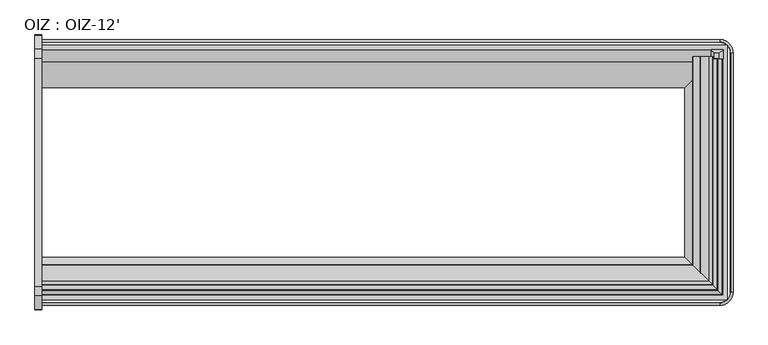
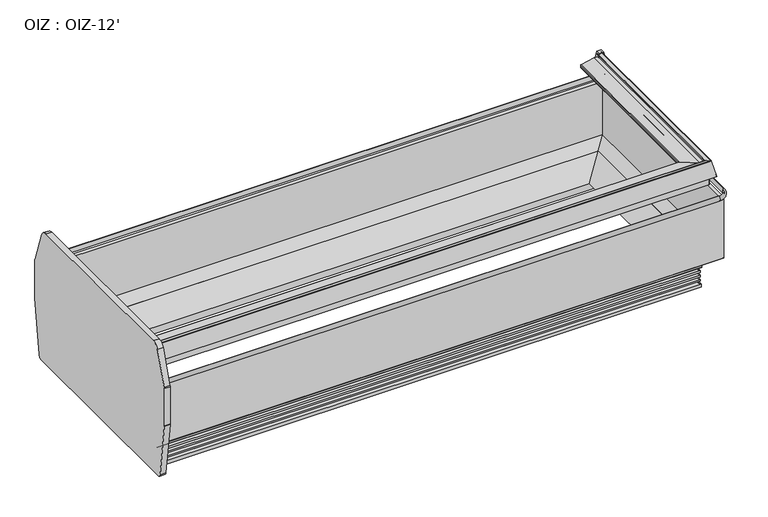
"""IFC4 building model written with IfcOpenShell, lengths in millimetres: proxy geometry, OIZ : OIZ-12'."""

from ifc_helpers import new_model, si_unit, point, frame, frame_2d, origin, place, context, project, spatial, polyline, circle_curve, ellipse_curve, trimmed, segment, composite_curve, outline, extrude, faceted_brep, source, transform, mapped, element, save
from ifc_brep_helpers import plane_surface, cylinder_surface, revolved_surface, advanced_brep


def oiz_oiz_12_f0e6e797(model_context):
    return source(origin(), model_context, "Body", "SolidModel", [
        extrude(outline(composite_curve([segment(trimmed(circle_curve(frame_2d((-348.839267, 447.3139893)), 25.4), [point((-323.439267, 447.3139893))], [point((-323.6463094, 444.0774966))], False, "CARTESIAN"), True, "CONTINUOUS"), segment(polyline([(-323.6463094, 444.0774966), (-371.1378667, 74.401771)]), True, "CONTINUOUS"), segment(trimmed(circle_curve(frame_2d((-396.3308243, 77.6382637)), 25.4), [point((-371.1378667, 74.401771))], [point((-396.3308243, 52.2382637))], False, "CARTESIAN"), True, "CONTINUOUS"), segment(polyline([(-396.3308243, 52.2382637), (-1744.0393488, 52.2382637)]), True, "CONTINUOUS"), segment(trimmed(circle_curve(frame_2d((-1744.0393488, 77.6382637)), 25.4), [point((-1744.0393488, 52.2382637))], [point((-1769.2323064, 74.401771))], False, "CARTESIAN"), True, "CONTINUOUS"), segment(polyline([(-1769.2323064, 74.401771), (-1816.7238637, 444.0774966)]), True, "CONTINUOUS"), segment(trimmed(circle_curve(frame_2d((-1791.530906, 447.3139893)), 25.4), [point((-1816.7238637, 444.0774966))], [point((-1816.930906, 447.3139893))], False, "CARTESIAN"), True, "CONTINUOUS"), segment(polyline([(-1816.930906, 447.3139893), (-1816.930906, 709.7837524)]), True, "CONTINUOUS"), segment(trimmed(circle_curve(frame_2d((-1791.530906, 709.7837524)), 25.4), [point((-1816.930906, 709.7837524))], [point((-1815.4781786, 718.2506372))], False, "CARTESIAN"), True, "CONTINUOUS"), segment(polyline([(-1815.4781786, 718.2506372), (-1737.902464, 937.6615333)]), True, "CONTINUOUS"), segment(trimmed(circle_curve(frame_2d((-1690.007919, 920.7277637)), 50.8), [point((-1737.902464, 937.6615333))], [point((-1690.007919, 971.5277637))], False, "CARTESIAN"), True, "CONTINUOUS"), segment(polyline([(-1690.007919, 971.5277637), (-450.3622541, 971.5277637)]), True, "CONTINUOUS"), segment(trimmed(circle_curve(frame_2d((-450.3622541, 920.7277637)), 50.8), [point((-450.3622541, 971.5277637))], [point((-402.467709, 937.6615333))], False, "CARTESIAN"), True, "CONTINUOUS"), segment(polyline([(-402.467709, 937.6615333), (-324.8919945, 718.2506372)]), True, "CONTINUOUS"), segment(trimmed(circle_curve(frame_2d((-348.839267, 709.7837524)), 25.4), [point((-324.8919945, 718.2506372))], [point((-323.439267, 709.7837524))], False, "CARTESIAN"), True, "CONTINUOUS"), segment(polyline([(-323.439267, 709.7837524), (-323.439267, 447.3139893)]), True, "CONTINUOUS")], self_intersect=False)), frame((-38.1, 0.0, 0.0), z_axis=(1.0, 0.0, 0.0), x_axis=(0.0, 1.0, 0.0)), (0.0, 0.0, 1.0), 38.1),
        faceted_brep([(3676.32346, -453.3410498, 953.5924566), (3676.32346, -423.9461673, 953.5924566), (3645.6527577, -423.9461673, 953.5924566), (3645.6527577, -453.3410498, 953.5924566), (3696.500354, -456.3510322, 847.1075065), (3633.8734801, -456.3510322, 847.1075065), (3633.8734801, -403.7692733, 847.1075065), (3696.500354, -403.7692733, 847.1075065)], [[[0, 1, 2, 3]], [[4, 5, 6, 7]], [[5, 4, 0, 3]], [[6, 5, 3, 2]], [[7, 6, 2, 1]], [[4, 7, 1, 0]]]),
        advanced_brep(
        [(0.0, -1669.8693202, 193.2181695), (0.0, -1669.8693202, 286.9854386), (0.0, -1531.4154874, 190.7162695), (0.0, -1667.3674202, 190.7162695), (3627.4996929, -1669.8693202, 193.2181695), (3627.4996929, -1669.8693202, 286.9854386), (3489.0458601, -1531.4154874, 190.7162695), (3489.0458601, -611.2237672, 190.7162695), (0.0, -611.2237672, 190.7162695), (0.0, -475.2718344, 190.7162695), (3624.9977929, -475.2718344, 190.7162695), (3624.9977929, -1667.3674202, 190.7162695), (3627.4996929, -472.7699344, 193.2181695), (3627.4996929, -472.7699344, 286.9854386), (0.0, -472.7699344, 193.2181695), (0.0, -472.7699344, 286.9854386)],
        [
            (0, 1),
            (1, 2),
            (2, 3),
            (3, 0, circle_curve(frame((0.0, -1667.3674202, 193.2181695), z_axis=(-1.0, 0.0, 0.0), x_axis=(0.0, 1.0, 0.0)), 2.5019)),
            (0, 4),
            (4, 5),
            (5, 1),
            (5, 6),
            (6, 2),
            (6, 7),
            (7, 8),
            (8, 9),
            (9, 10),
            (10, 11),
            (11, 3),
            (11, 4, ellipse_curve(frame((3624.9977929, -1667.3674202, 193.2181695), z_axis=(-0.7071067811865475, -0.7071067811865475, 0.0), x_axis=(-0.7071067811865476, 0.7071067811865474, 0.0)), 3.5382209, 2.5019)),
            (4, 12),
            (12, 13),
            (13, 5),
            (13, 7),
            (10, 12, ellipse_curve(frame((3624.9977929, -475.2718344, 193.2181695), z_axis=(0.7071067811865475, -0.7071067811865475, 0.0), x_axis=(-0.7071067811865474, -0.7071067811865476, 0.0)), 3.5382209, 2.5019)),
            (14, 9, circle_curve(frame((0.0, -475.2718344, 193.2181695), z_axis=(-1.0, 0.0, 0.0), x_axis=(0.0, -1.0, 0.0)), 2.5019)),
            (8, 15),
            (15, 14),
            (12, 14),
            (15, 13),
        ],
        [
            plane_surface(frame((0.0, -1793.6321273, 50.2442522), z_axis=(-1.0, 0.0, 0.0), x_axis=(0.0, 0.0, 1.0))),
            plane_surface(frame((0.0, -1669.8693202, 193.2181695), z_axis=(0.0, -1.0, 0.0), x_axis=(1.0, 0.0, 0.0))),
            plane_surface(frame((0.0, -1669.8693202, 286.9854386), z_axis=(0.0, 0.5708784896060812, 0.8210345608469107), x_axis=(1.0, 0.0, 0.0))),
            plane_surface(frame((0.0, -1531.4154874, 190.7162695), z_axis=(0.0, 0.0, -1.0), x_axis=(1.0, 0.0, 0.0))),
            cylinder_surface(frame((0.0, -1667.3674202, 193.2181695), z_axis=(-1.0, 0.0, 0.0), x_axis=(0.0, 1.0, 0.0)), 2.5019),
            plane_surface(frame((3627.4996929, -1669.8693202, 193.2181695), z_axis=(1.0, 0.0, 0.0), x_axis=(0.0, 1.0, 0.0))),
            plane_surface(frame((3627.4996929, -1669.8693202, 286.9854386), z_axis=(-0.5708784896060812, 0.0, 0.8210345608469107), x_axis=(0.0, 1.0, 0.0))),
            cylinder_surface(frame((3624.9977929, -1793.6321273, 193.2181695), z_axis=(0.0, -1.0, 0.0), x_axis=(-1.0, 0.0, 0.0)), 2.5019),
            plane_surface(frame((0.0, -349.0071273, 50.2442522), z_axis=(-1.0, 0.0, 0.0), x_axis=(0.0, 0.0, 1.0))),
            plane_surface(frame((3627.4996929, -472.7699344, 193.2181695), z_axis=(0.0, 1.0, 0.0), x_axis=(-1.0, 0.0, 0.0))),
            plane_surface(frame((3627.4996929, -472.7699344, 286.9854386), z_axis=(0.0, -0.5708784896060812, 0.8210345608469107), x_axis=(-1.0, 0.0, 0.0))),
            cylinder_surface(frame((3751.2625, -475.2718344, 193.2181695), z_axis=(1.0, 0.0, 0.0), x_axis=(0.0, -1.0, 0.0)), 2.5019),
        ],
        [
            (0, [[1, 2, 3, 4]]),
            (1, [[-1, 5, 6, 7]]),
            (2, [[-2, -7, 8, 9]]),
            (3, [[-3, -9, 10, 11, 12, 13, 14, 15]]),
            (4, [[-4, -15, 16, -5]]),
            (5, [[-6, 17, 18, 19]]),
            (6, [[-8, -19, 20, -10]]),
            (7, [[-16, -14, 21, -17]]),
            (8, [[22, -12, 23, 24]]),
            (9, [[-18, 25, -24, 26]]),
            (10, [[-20, -26, -23, -11]]),
            (11, [[-21, -13, -22, -25]]),
        ],
    ),
        advanced_brep(
        [(0.0, -1710.6553219, 952.3854544), (0.0, -1708.7724527, 953.6082039), (0.0, -1683.8365698, 948.3079183), (0.0, -1682.6332223, 946.3442338), (0.0, -1688.022385, 926.2316048), (0.0, -1663.5888176, 926.3067225), (0.0, -1575.6167929, 908.9805251), (0.0, -1573.5578746, 906.3399769), (0.0, -1574.5393697, 888.1365545), (0.0, -1577.0350289, 885.8112569), (0.0, -1604.3477708, 885.8112569), (0.0, -1604.3477708, 889.9006569), (0.0, -1614.6221651, 889.9006569), (0.0, -1616.3175828, 891.816978), (0.0, -1616.1100713, 893.5070234), (0.0, -1616.801171, 894.3915907), (0.0, -1640.5558215, 897.308295), (0.0, -1641.4140296, 896.7445061), (0.0, -1658.1223173, 839.957012), (0.0, -1659.76101, 838.731006), (0.0, -1699.7349313, 838.731006), (0.0, -1700.5286813, 837.937256), (0.0, -1700.5286813, 782.3984294), (0.0, -1701.7478813, 782.3984294), (0.0, -1701.7478813, 941.6913504), (0.0, -1710.5187202, 941.6913504), (0.0, -1730.6231369, 847.1075065), (0.0, -1733.0328405, 847.1075065), (3668.2856946, -1710.6553219, 952.3854544), (3666.4028254, -1708.7724527, 953.6082039), (3641.4669425, -1683.8365698, 948.3079183), (3640.263595, -1682.6332223, 946.3442338), (3645.6527577, -1688.022385, 926.2316048), (3621.2191903, -1663.5888176, 926.3067225), (3533.2471656, -1575.6167929, 908.9805251), (3531.1882473, -1573.5578746, 906.3399769), (3532.1697424, -1574.5393697, 888.1365545), (3534.6654016, -1577.0350289, 885.8112569), (3534.6654016, -441.0821273, 885.8112569), (3561.9781435, -441.0821273, 885.8112569), (3561.9781435, -1604.3477708, 885.8112569), (3561.9781435, -1604.3477708, 889.9006569), (3561.9781435, -441.0821273, 889.9006569), (3572.2525378, -441.0821273, 889.9006569), (3572.2525378, -1614.6221651, 889.9006569), (3573.9479555, -1616.3175828, 891.816978), (3573.740444, -1616.1100713, 893.5070234), (3574.4315437, -1616.801171, 894.3915907), (3598.1861942, -1640.5558215, 897.308295), (3599.0444023, -1641.4140296, 896.7445061), (3615.75269, -1658.1223173, 839.957012), (3617.3913827, -1659.76101, 838.731006), (3617.3913827, -441.0821273, 838.731006), (3657.365304, -441.0821273, 838.731006), (3657.365304, -1699.7349313, 838.731006), (3658.159054, -1700.5286813, 837.937256), (3658.159054, -1700.5286813, 782.3984294), (3658.159054, -441.0821273, 782.3984294), (3659.378254, -441.0821273, 782.3984294), (3659.378254, -1701.7478813, 782.3984294), (3659.378254, -1701.7478813, 941.6913504), (3659.378254, -441.0821273, 941.6913504), (3668.1490929, -441.0821273, 941.6913504), (3668.1490929, -1710.5187202, 941.6913504), (3688.2535096, -1730.6231369, 847.1075065), (3688.2535096, -441.0821273, 847.1075065), (3690.6632132, -441.0821273, 847.1075065), (3690.6632132, -1733.0328405, 847.1075065), (3668.2856946, -441.0821273, 952.3854544), (3666.4028254, -441.0821273, 953.6082039), (3641.4669425, -441.0821273, 948.3079183), (3640.263595, -441.0821273, 946.3442338), (3645.6527577, -441.0821273, 926.2316048), (3621.2191903, -441.0821273, 926.3067225), (3533.2471656, -441.0821273, 908.9805251), (3531.1882473, -441.0821273, 906.3399769), (3532.1697424, -441.0821273, 888.1365545), (3573.9479555, -441.0821273, 891.816978), (3573.740444, -441.0821273, 893.5070234), (3574.4315437, -441.0821273, 894.3915907), (3598.1861942, -441.0821273, 897.308295), (3599.0444023, -441.0821273, 896.7445061), (3615.75269, -441.0821273, 839.957012), (3658.159054, -441.0821273, 837.937256)],
        [
            (0, 1, circle_curve(frame((0.0, -1709.1025125, 952.0553946), z_axis=(-1.0, 0.0, 0.0), x_axis=(0.0, 1.0, 0.0)), 1.5875)),
            (1, 2),
            (2, 3, circle_curve(frame((0.0, -1684.1666296, 946.755109), z_axis=(-1.0, 0.0, 0.0), x_axis=(0.0, 1.0, 0.0)), 1.5875)),
            (3, 4),
            (4, 5),
            (5, 6),
            (6, 7, circle_curve(frame((0.0, -1576.1044792, 906.4772852), z_axis=(-1.0, 0.0, 0.0), x_axis=(0.0, 1.0, 0.0)), 2.5503035)),
            (7, 8),
            (8, 9, circle_curve(frame((0.0, -1577.0350289, 888.3131569), z_axis=(-1.0, 0.0, 0.0), x_axis=(0.0, 1.0, 0.0)), 2.5019)),
            (9, 10),
            (10, 11),
            (11, 12),
            (12, 13, circle_curve(frame((0.0, -1614.6221651, 891.6088069), z_axis=(-1.0, 0.0, 0.0), x_axis=(0.0, 1.0, 0.0)), 1.70815)),
            (13, 14),
            (14, 15, circle_curve(frame((0.0, -1616.8979048, 893.6037572), z_axis=(1.0, 0.0, 0.0), x_axis=(0.0, 1.0, 0.0)), 0.79375)),
            (15, 16),
            (16, 17, circle_curve(frame((0.0, -1640.6525553, 896.5204615), z_axis=(1.0, 0.0, 0.0), x_axis=(0.0, 1.0, 0.0)), 0.79375)),
            (17, 18),
            (18, 19, circle_curve(frame((0.0, -1659.76101, 840.439156), z_axis=(-1.0, 0.0, 0.0), x_axis=(0.0, 1.0, 0.0)), 1.70815)),
            (19, 20),
            (20, 21, circle_curve(frame((0.0, -1699.7349313, 837.937256), z_axis=(1.0, 0.0, 0.0), x_axis=(0.0, 1.0, 0.0)), 0.79375)),
            (21, 22),
            (22, 23),
            (23, 24),
            (24, 25),
            (25, 26),
            (26, 27),
            (27, 0),
            (0, 28),
            (28, 29, ellipse_curve(frame((3666.7328852, -1709.1025125, 952.0553946), z_axis=(-0.7071067811865475, -0.7071067811865475, 0.0), x_axis=(-0.7071067811865476, 0.7071067811865474, 0.0)), 2.245064, 1.5875)),
            (29, 1),
            (29, 30),
            (30, 2),
            (30, 31, ellipse_curve(frame((3641.7970023, -1684.1666296, 946.755109), z_axis=(-0.7071067811865475, -0.7071067811865475, 0.0), x_axis=(-0.7071067811865476, 0.7071067811865474, 0.0)), 2.245064, 1.5875)),
            (31, 3),
            (31, 32),
            (32, 4),
            (32, 33),
            (33, 5),
            (33, 34),
            (34, 6),
            (34, 35, ellipse_curve(frame((3533.7348519, -1576.1044792, 906.4772852), z_axis=(-0.7071067811865475, -0.7071067811865475, 0.0), x_axis=(-0.7071067811865476, 0.7071067811865474, 0.0)), 3.6066739, 2.5503035)),
            (35, 7),
            (35, 36),
            (36, 8),
            (36, 37, ellipse_curve(frame((3534.6654016, -1577.0350289, 888.3131569), z_axis=(-0.7071067811865475, -0.7071067811865475, 0.0), x_axis=(-0.7071067811865476, 0.7071067811865474, 0.0)), 3.5382209, 2.5019)),
            (37, 9),
            (37, 38),
            (38, 39),
            (39, 40),
            (40, 10),
            (40, 41),
            (41, 11),
            (41, 42),
            (42, 43),
            (43, 44),
            (44, 12),
            (44, 45, ellipse_curve(frame((3572.2525378, -1614.6221651, 891.6088069), z_axis=(-0.7071067811865475, -0.7071067811865475, 0.0), x_axis=(-0.7071067811865476, 0.7071067811865474, 0.0)), 2.4156889, 1.70815)),
            (45, 13),
            (45, 46),
            (46, 14),
            (46, 47, ellipse_curve(frame((3574.5282775, -1616.8979048, 893.6037572), z_axis=(0.7071067811865475, 0.7071067811865475, 0.0), x_axis=(0.7071067811865476, -0.7071067811865474, 0.0)), 1.122532, 0.79375)),
            (47, 15),
            (47, 48),
            (48, 16),
            (48, 49, ellipse_curve(frame((3598.282928, -1640.6525553, 896.5204615), z_axis=(0.7071067811865475, 0.7071067811865475, 0.0), x_axis=(0.7071067811865476, -0.7071067811865474, 0.0)), 1.122532, 0.79375)),
            (49, 17),
            (49, 50),
            (50, 18),
            (50, 51, ellipse_curve(frame((3617.3913827, -1659.76101, 840.439156), z_axis=(-0.7071067811865475, -0.7071067811865475, 0.0), x_axis=(-0.7071067811865476, 0.7071067811865474, 0.0)), 2.4156889, 1.70815)),
            (51, 19),
            (51, 52),
            (52, 53),
            (53, 54),
            (54, 20),
            (54, 55, ellipse_curve(frame((3657.365304, -1699.7349313, 837.937256), z_axis=(0.7071067811865475, 0.7071067811865475, 0.0), x_axis=(0.7071067811865476, -0.7071067811865474, 0.0)), 1.122532, 0.79375)),
            (55, 21),
            (55, 56),
            (56, 22),
            (56, 57),
            (57, 58),
            (58, 59),
            (59, 23),
            (59, 60),
            (60, 24),
            (60, 61),
            (61, 62),
            (62, 63),
            (63, 25),
            (63, 64),
            (64, 26),
            (64, 65),
            (65, 66),
            (66, 67),
            (67, 27),
            (67, 28),
            (28, 68),
            (68, 69, circle_curve(frame((3666.7328852, -441.0821273, 952.0553946), z_axis=(0.0, -1.0, 0.0), x_axis=(-1.0, 0.0, 0.0)), 1.5875)),
            (69, 29),
            (69, 70),
            (70, 30),
            (70, 71, circle_curve(frame((3641.7970023, -441.0821273, 946.755109), z_axis=(0.0, -1.0, 0.0), x_axis=(-1.0, 0.0, 0.0)), 1.5875)),
            (71, 31),
            (71, 72),
            (72, 32),
            (72, 73),
            (73, 33),
            (73, 74),
            (74, 34),
            (74, 75, circle_curve(frame((3533.7348519, -441.0821273, 906.4772852), z_axis=(0.0, -1.0, 0.0), x_axis=(-1.0, 0.0, 0.0)), 2.5503035)),
            (75, 35),
            (75, 76),
            (76, 36),
            (76, 38, circle_curve(frame((3534.6654016, -441.0821273, 888.3131569), z_axis=(0.0, -1.0, 0.0), x_axis=(-1.0, 0.0, 0.0)), 2.5019)),
            (39, 42),
            (43, 77, circle_curve(frame((3572.2525378, -441.0821273, 891.6088069), z_axis=(0.0, -1.0, 0.0), x_axis=(-1.0, 0.0, 0.0)), 1.70815)),
            (77, 45),
            (77, 78),
            (78, 46),
            (78, 79, circle_curve(frame((3574.5282775, -441.0821273, 893.6037572), z_axis=(0.0, 1.0, 0.0), x_axis=(-1.0, 0.0, 0.0)), 0.79375)),
            (79, 47),
            (79, 80),
            (80, 48),
            (80, 81, circle_curve(frame((3598.282928, -441.0821273, 896.5204615), z_axis=(0.0, 1.0, 0.0), x_axis=(-1.0, 0.0, 0.0)), 0.79375)),
            (81, 49),
            (81, 82),
            (82, 50),
            (82, 52, circle_curve(frame((3617.3913827, -441.0821273, 840.439156), z_axis=(0.0, -1.0, 0.0), x_axis=(-1.0, 0.0, 0.0)), 1.70815)),
            (53, 83, circle_curve(frame((3657.365304, -441.0821273, 837.937256), z_axis=(0.0, 1.0, 0.0), x_axis=(-1.0, 0.0, 0.0)), 0.79375)),
            (83, 55),
            (83, 57),
            (58, 61),
            (62, 65),
            (66, 68),
        ],
        [
            plane_surface(frame((0.0, -1793.6321273, 50.2442522), z_axis=(-1.0, 0.0, 0.0), x_axis=(0.0, 0.0, 1.0))),
            cylinder_surface(frame((0.0, -1709.1025125, 952.0553946), z_axis=(-1.0, 0.0, 0.0), x_axis=(0.0, 1.0, 0.0)), 1.5875),
            plane_surface(frame((0.0, -1708.7724527, 953.6082039), z_axis=(0.0, 0.20791169079971766, 0.9781476007376406), x_axis=(1.0, 0.0, 0.0))),
            cylinder_surface(frame((0.0, -1684.1666296, 946.755109), z_axis=(-1.0, 0.0, 0.0), x_axis=(0.0, 1.0, 0.0)), 1.5875),
            plane_surface(frame((0.0, -1682.6332223, 946.3442338), z_axis=(0.0, 0.9659258262938488, -0.2588190450846796), x_axis=(1.0, 0.0, 0.0))),
            plane_surface(frame((0.0, -1688.022385, 926.2316048), z_axis=(0.0, -0.0030743536510213663, 0.9999952741636475), x_axis=(1.0, 0.0, 0.0))),
            plane_surface(frame((0.0, -1663.5888176, 926.3067225), z_axis=(0.0, 0.19323902458189599, 0.9811517106842537), x_axis=(1.0, 0.0, 0.0))),
            cylinder_surface(frame((0.0, -1576.1044792, 906.4772852), z_axis=(-1.0, 0.0, 0.0), x_axis=(0.0, 1.0, 0.0)), 2.5503035),
            plane_surface(frame((0.0, -1573.5578746, 906.3399769), z_axis=(0.0, 0.9985495777719585, -0.05383995478678839), x_axis=(1.0, 0.0, 0.0))),
            cylinder_surface(frame((0.0, -1577.0350289, 888.3131569), z_axis=(-1.0, 0.0, 0.0), x_axis=(0.0, 1.0, 0.0)), 2.5019),
            plane_surface(frame((0.0, -1577.0350289, 885.8112569), z_axis=(0.0, 0.0, -1.0), x_axis=(1.0, 0.0, 0.0))),
            plane_surface(frame((0.0, -1604.3477708, 885.8112569), z_axis=(0.0, -1.0, 0.0), x_axis=(1.0, 0.0, 0.0))),
            plane_surface(frame((0.0, -1604.3477708, 889.9006569), z_axis=(0.0, 0.0, -1.0), x_axis=(1.0, 0.0, 0.0))),
            cylinder_surface(frame((0.0, -1614.6221651, 891.6088069), z_axis=(-1.0, 0.0, 0.0), x_axis=(0.0, 1.0, 0.0)), 1.70815),
            plane_surface(frame((0.0, -1616.3175828, 891.816978), z_axis=(0.0, -0.9925461516413417, 0.12186934340498758), x_axis=(1.0, 0.0, 0.0))),
            revolved_surface(polyline([(3575.3220274892988, -1616.1041548, 893.6037572), (0.0, -1616.1041548, 893.6037572)]), (0.0, -1616.8979048, 893.6037572), (1.0, 0.0, 0.0)),
            plane_surface(frame((0.0, -1616.801171, 894.3915907), z_axis=(0.0, -0.1218693434051119, -0.9925461516413264), x_axis=(1.0, 0.0, 0.0))),
            revolved_surface(polyline([(3599.076677989299, -1639.8588052999999, 896.5204615), (0.0, -1639.8588052999999, 896.5204615)]), (0.0, -1640.6525553, 896.5204615), (1.0, 0.0, 0.0)),
            plane_surface(frame((0.0, -1641.4140296, 896.7445061), z_axis=(0.0, 0.9593376760614901, -0.28226091349837923), x_axis=(1.0, 0.0, 0.0))),
            cylinder_surface(frame((0.0, -1659.76101, 840.439156), z_axis=(-1.0, 0.0, 0.0), x_axis=(0.0, 1.0, 0.0)), 1.70815),
            plane_surface(frame((0.0, -1659.76101, 838.731006), z_axis=(0.0, 0.0, -1.0), x_axis=(1.0, 0.0, 0.0))),
            revolved_surface(polyline([(3658.159054, -1698.9411813, 837.937256), (0.0, -1698.9411813, 837.937256)]), (0.0, -1699.7349313, 837.937256), (1.0, 0.0, 0.0)),
            plane_surface(frame((0.0, -1700.5286813, 837.937256), z_axis=(0.0, 1.0, 0.0), x_axis=(1.0, 0.0, 0.0))),
            plane_surface(frame((0.0, -1700.5286813, 782.3984294), z_axis=(0.0, 0.0, -1.0), x_axis=(1.0, 0.0, 0.0))),
            plane_surface(frame((0.0, -1701.7478813, 782.3984294), z_axis=(0.0, -1.0, 0.0), x_axis=(1.0, 0.0, 0.0))),
            plane_surface(frame((0.0, -1701.7478813, 941.6913504), z_axis=(0.0, 0.0, -1.0), x_axis=(1.0, 0.0, 0.0))),
            plane_surface(frame((0.0, -1710.5187202, 941.6913504), z_axis=(0.0, 0.9781476007338412, -0.20791169081759206), x_axis=(1.0, 0.0, 0.0))),
            plane_surface(frame((0.0, -1730.6231369, 847.1075065), z_axis=(0.0, 0.0, -1.0), x_axis=(1.0, 0.0, 0.0))),
            plane_surface(frame((0.0, -1733.0328405, 847.1075065), z_axis=(0.0, -0.9781476007338418, 0.20791169081758964), x_axis=(1.0, 0.0, 0.0))),
            cylinder_surface(frame((3666.7328852, -1793.6321273, 952.0553946), z_axis=(0.0, -1.0, 0.0), x_axis=(-1.0, 0.0, 0.0)), 1.5875),
            plane_surface(frame((3666.4028254, -1708.7724527, 953.6082039), z_axis=(-0.20791169079971766, 0.0, 0.9781476007376406), x_axis=(0.0, 1.0, 0.0))),
            cylinder_surface(frame((3641.7970023, -1793.6321273, 946.755109), z_axis=(0.0, -1.0, 0.0), x_axis=(-1.0, 0.0, 0.0)), 1.5875),
            plane_surface(frame((3640.263595, -1682.6332223, 946.3442338), z_axis=(-0.9659258262938488, 0.0, -0.2588190450846796), x_axis=(0.0, 1.0, 0.0))),
            plane_surface(frame((3645.6527577, -1688.022385, 926.2316048), z_axis=(0.0030743536510213663, 0.0, 0.9999952741636475), x_axis=(0.0, 1.0, 0.0))),
            plane_surface(frame((3621.2191903, -1663.5888176, 926.3067225), z_axis=(-0.19323902458189599, 0.0, 0.9811517106842537), x_axis=(0.0, 1.0, 0.0))),
            cylinder_surface(frame((3533.7348519, -1793.6321273, 906.4772852), z_axis=(0.0, -1.0, 0.0), x_axis=(-1.0, 0.0, 0.0)), 2.5503035),
            plane_surface(frame((3531.1882473, -1573.5578746, 906.3399769), z_axis=(-0.9985495777719585, 0.0, -0.05383995478678839), x_axis=(0.0, 1.0, 0.0))),
            cylinder_surface(frame((3534.6654016, -1793.6321273, 888.3131569), z_axis=(0.0, -1.0, 0.0), x_axis=(-1.0, 0.0, 0.0)), 2.5019),
            plane_surface(frame((3561.9781435, -1604.3477708, 885.8112569), z_axis=(1.0, 0.0, 0.0), x_axis=(0.0, 1.0, 0.0))),
            cylinder_surface(frame((3572.2525378, -1793.6321273, 891.6088069), z_axis=(0.0, -1.0, 0.0), x_axis=(-1.0, 0.0, 0.0)), 1.70815),
            plane_surface(frame((3573.9479555, -1616.3175828, 891.816978), z_axis=(0.9925461516413417, 0.0, 0.12186934340498758), x_axis=(0.0, 1.0, 0.0))),
            revolved_surface(polyline([(3573.7345275000002, -441.0821272999999, 893.6037572), (3573.7345275000002, -1617.691654789299, 893.6037572)]), (3574.5282775, -1793.6321273, 893.6037572), (0.0, 1.0, 0.0)),
            plane_surface(frame((3574.4315437, -1616.801171, 894.3915907), z_axis=(0.1218693434051119, 0.0, -0.9925461516413264), x_axis=(0.0, 1.0, 0.0))),
            revolved_surface(polyline([(3597.4891780000003, -441.0821272999999, 896.5204615), (3597.4891780000003, -1641.4463052892988, 896.5204615)]), (3598.282928, -1793.6321273, 896.5204615), (0.0, 1.0, 0.0)),
            plane_surface(frame((3599.0444023, -1641.4140296, 896.7445061), z_axis=(-0.9593376760614901, 0.0, -0.28226091349837923), x_axis=(0.0, 1.0, 0.0))),
            cylinder_surface(frame((3617.3913827, -1793.6321273, 840.439156), z_axis=(0.0, -1.0, 0.0), x_axis=(-1.0, 0.0, 0.0)), 1.70815),
            revolved_surface(polyline([(3656.571554, -441.0821272999999, 837.937256), (3656.571554, -1700.5286813, 837.937256)]), (3657.365304, -1793.6321273, 837.937256), (0.0, 1.0, 0.0)),
            plane_surface(frame((3658.159054, -1700.5286813, 837.937256), z_axis=(-1.0, 0.0, 0.0), x_axis=(0.0, 1.0, 0.0))),
            plane_surface(frame((3659.378254, -1701.7478813, 782.3984294), z_axis=(1.0, 0.0, 0.0), x_axis=(0.0, 1.0, 0.0))),
            plane_surface(frame((3668.1490929, -1710.5187202, 941.6913504), z_axis=(-0.9781476007338412, 0.0, -0.20791169081759206), x_axis=(0.0, 1.0, 0.0))),
            plane_surface(frame((3690.6632132, -1733.0328405, 847.1075065), z_axis=(0.9781476007338418, 0.0, 0.20791169081758964), x_axis=(0.0, 1.0, 0.0))),
            plane_surface(frame((3751.2625, -441.0821273, 50.2442522), z_axis=(0.0, 1.0, 0.0), x_axis=(0.0, 0.0, 1.0))),
        ],
        [
            (0, [[1, 2, 3, 4, 5, 6, 7, 8, 9, 10, 11, 12, 13, 14, 15, 16, 17, 18, 19, 20, 21, 22, 23, 24, 25, 26, 27, 28]]),
            (1, [[-1, 29, 30, 31]]),
            (2, [[-2, -31, 32, 33]]),
            (3, [[-3, -33, 34, 35]]),
            (4, [[-4, -35, 36, 37]]),
            (5, [[-5, -37, 38, 39]]),
            (6, [[-6, -39, 40, 41]]),
            (7, [[-7, -41, 42, 43]]),
            (8, [[-8, -43, 44, 45]]),
            (9, [[-9, -45, 46, 47]]),
            (10, [[-10, -47, 48, 49, 50, 51]]),
            (11, [[-11, -51, 52, 53]]),
            (12, [[-12, -53, 54, 55, 56, 57]]),
            (13, [[-13, -57, 58, 59]]),
            (14, [[-14, -59, 60, 61]]),
            (15, [[-15, -61, 62, 63]]),
            (16, [[-16, -63, 64, 65]]),
            (17, [[-17, -65, 66, 67]]),
            (18, [[-18, -67, 68, 69]]),
            (19, [[-19, -69, 70, 71]]),
            (20, [[-20, -71, 72, 73, 74, 75]]),
            (21, [[-21, -75, 76, 77]]),
            (22, [[-22, -77, 78, 79]]),
            (23, [[-23, -79, 80, 81, 82, 83]]),
            (24, [[-24, -83, 84, 85]]),
            (25, [[-25, -85, 86, 87, 88, 89]]),
            (26, [[-26, -89, 90, 91]]),
            (27, [[-27, -91, 92, 93, 94, 95]]),
            (28, [[-28, -95, 96, -29]]),
            (29, [[-30, 97, 98, 99]]),
            (30, [[-32, -99, 100, 101]]),
            (31, [[-34, -101, 102, 103]]),
            (32, [[-36, -103, 104, 105]]),
            (33, [[-38, -105, 106, 107]]),
            (34, [[-40, -107, 108, 109]]),
            (35, [[-42, -109, 110, 111]]),
            (36, [[-44, -111, 112, 113]]),
            (37, [[-46, -113, 114, -48]]),
            (38, [[-52, -50, 115, -54]]),
            (39, [[-58, -56, 116, 117]]),
            (40, [[-60, -117, 118, 119]]),
            (41, [[-62, -119, 120, 121]]),
            (42, [[-64, -121, 122, 123]]),
            (43, [[-66, -123, 124, 125]]),
            (44, [[-68, -125, 126, 127]]),
            (45, [[-70, -127, 128, -72]]),
            (46, [[-76, -74, 129, 130]]),
            (47, [[-78, -130, 131, -80]]),
            (48, [[-84, -82, 132, -86]]),
            (49, [[-90, -88, 133, -92]]),
            (50, [[-96, -94, 134, -97]]),
            (51, [[-134, -93, -133, -87, -132, -81, -131, -129, -73, -128, -126, -124, -122, -120, -118, -116, -55, -115, -49, -114, -112, -110, -108, -106, -104, -102, -100, -98]]),
        ],
    ),
        advanced_brep(
        [(0.0, -1644.8482048, 52.2382637), (0.0, -1667.0118202, 52.2382637), (0.0, -1667.0118202, 74.5283346), (0.0, -1653.3940173, 84.1356475), (0.0, -1650.5792308, 93.1430848), (0.0, -1662.5360154, 93.1430848), (0.0, -1662.5360154, 105.8430848), (0.0, -1653.3940173, 115.1078306), (0.0, -1650.5792308, 124.1152679), (0.0, -1662.5360154, 124.1152679), (0.0, -1662.5360154, 136.8152679), (0.0, -1653.3940173, 146.0800137), (0.0, -1650.5469277, 155.0876379), (0.0, -1662.5360154, 155.0876379), (0.0, -1662.5360154, 167.7876379), (0.0, -1649.9049202, 180.487451), (0.0, -1649.9049202, 190.7162695), (0.0, -1644.8482048, 190.7162695), (3602.4785775, -1644.8482048, 52.2382637), (3602.4785775, -497.7910498, 52.2382637), (0.0, -497.7910498, 52.2382637), (0.0, -475.6274344, 52.2382637), (3624.6421929, -475.6274344, 52.2382637), (3624.6421929, -1667.0118202, 52.2382637), (3624.6421929, -1667.0118202, 74.5283346), (3611.02439, -1653.3940173, 84.1356475), (3608.2096035, -1650.5792308, 93.1430848), (3608.2096035, -492.0600238, 93.1430848), (0.0, -492.0600238, 93.1430848), (0.0, -480.1032392, 93.1430848), (3620.1663881, -480.1032392, 93.1430848), (3620.1663881, -1662.5360154, 93.1430848), (3620.1663881, -1662.5360154, 105.8430848), (3611.02439, -1653.3940173, 115.1078306), (3608.2096035, -1650.5792308, 124.1152679), (3608.2096035, -492.0600238, 124.1152679), (0.0, -492.0600238, 124.1152679), (0.0, -480.1032392, 124.1152679), (3620.1663881, -480.1032392, 124.1152679), (3620.1663881, -1662.5360154, 124.1152679), (3620.1663881, -1662.5360154, 136.8152679), (3611.02439, -1653.3940173, 146.0800137), (3608.1773004, -1650.5469277, 155.0876379), (3608.1773004, -492.0923269, 155.0876379), (0.0, -492.0923269, 155.0876379), (0.0, -480.1032392, 155.0876379), (3620.1663881, -480.1032392, 155.0876379), (3620.1663881, -1662.5360154, 155.0876379), (3620.1663881, -1662.5360154, 167.7876379), (3607.5352929, -1649.9049202, 180.487451), (3607.5352929, -1649.9049202, 190.7162695), (3607.5352929, -492.7343344, 190.7162695), (0.0, -492.7343344, 190.7162695), (0.0, -497.7910498, 190.7162695), (3602.4785775, -497.7910498, 190.7162695), (3602.4785775, -1644.8482048, 190.7162695), (3624.6421929, -475.6274344, 74.5283346), (3611.02439, -489.2452373, 84.1356475), (3620.1663881, -480.1032392, 105.8430848), (3611.02439, -489.2452373, 115.1078306), (3620.1663881, -480.1032392, 136.8152679), (3611.02439, -489.2452373, 146.0800137), (3620.1663881, -480.1032392, 167.7876379), (3607.5352929, -492.7343344, 180.487451), (0.0, -492.7343344, 180.487451), (0.0, -480.1032392, 167.7876379), (0.0, -489.2452373, 146.0800137), (0.0, -480.1032392, 136.8152679), (0.0, -489.2452373, 115.1078306), (0.0, -480.1032392, 105.8430848), (0.0, -489.2452373, 84.1356475), (0.0, -475.6274344, 74.5283346)],
        [
            (0, 1),
            (1, 2),
            (2, 3, circle_curve(frame((0.0, -1666.4759966, 88.2237114), z_axis=(1.0, 0.0, 0.0), x_axis=(0.0, 1.0, 0.0)), 13.7058546)),
            (3, 4),
            (4, 5),
            (5, 6),
            (6, 7, circle_curve(frame((0.0, -1666.9538832, 119.345232), z_axis=(1.0, 0.0, 0.0), x_axis=(0.0, 1.0, 0.0)), 14.2065314)),
            (7, 8),
            (8, 9),
            (9, 10),
            (10, 11, circle_curve(frame((0.0, -1667.0262586, 150.3888315), z_axis=(1.0, 0.0, 0.0), x_axis=(0.0, 1.0, 0.0)), 14.2969897)),
            (11, 12),
            (12, 13),
            (13, 14),
            (14, 15, circle_curve(frame((0.0, -1662.6049202, 180.487451), z_axis=(1.0, 0.0, 0.0), x_axis=(0.0, 1.0, 0.0)), 12.7)),
            (15, 16),
            (16, 17),
            (17, 0),
            (0, 18),
            (18, 19),
            (19, 20),
            (20, 21),
            (21, 22),
            (22, 23),
            (23, 1),
            (23, 24),
            (24, 2),
            (24, 25, ellipse_curve(frame((3624.1063693, -1666.4759966, 88.2237114), z_axis=(0.7071067811865475, 0.7071067811865475, 0.0), x_axis=(0.7071067811865476, -0.7071067811865474, 0.0)), 19.3830055, 13.7058546)),
            (25, 3),
            (25, 26),
            (26, 4),
            (26, 27),
            (27, 28),
            (28, 29),
            (29, 30),
            (30, 31),
            (31, 5),
            (31, 32),
            (32, 6),
            (32, 33, ellipse_curve(frame((3624.5842559, -1666.9538832, 119.345232), z_axis=(0.7071067811865475, 0.7071067811865475, 0.0), x_axis=(0.7071067811865476, -0.7071067811865474, 0.0)), 20.0910694, 14.2065314)),
            (33, 7),
            (33, 34),
            (34, 8),
            (34, 35),
            (35, 36),
            (36, 37),
            (37, 38),
            (38, 39),
            (39, 9),
            (39, 40),
            (40, 10),
            (40, 41, ellipse_curve(frame((3624.6566313, -1667.0262586, 150.3888315), z_axis=(0.7071067811865475, 0.7071067811865475, 0.0), x_axis=(0.7071067811865476, -0.7071067811865474, 0.0)), 20.2189967, 14.2969897)),
            (41, 11),
            (41, 42),
            (42, 12),
            (42, 43),
            (43, 44),
            (44, 45),
            (45, 46),
            (46, 47),
            (47, 13),
            (47, 48),
            (48, 14),
            (48, 49, ellipse_curve(frame((3620.2352929, -1662.6049202, 180.487451), z_axis=(0.7071067811865475, 0.7071067811865475, 0.0), x_axis=(0.7071067811865476, -0.7071067811865474, 0.0)), 17.9605122, 12.7)),
            (49, 15),
            (49, 50),
            (50, 16),
            (50, 51),
            (51, 52),
            (52, 53),
            (53, 54),
            (54, 55),
            (55, 17),
            (55, 18),
            (22, 56),
            (56, 24),
            (56, 57, ellipse_curve(frame((3624.1063693, -476.163258, 88.2237114), z_axis=(-0.7071067811865475, 0.7071067811865475, 0.0), x_axis=(0.7071067811865474, 0.7071067811865476, 0.0)), 19.3830055, 13.7058546)),
            (57, 25),
            (57, 27),
            (30, 58),
            (58, 32),
            (58, 59, ellipse_curve(frame((3624.5842559, -475.6853714, 119.345232), z_axis=(-0.7071067811865475, 0.7071067811865475, 0.0), x_axis=(0.7071067811865474, 0.7071067811865476, 0.0)), 20.0910694, 14.2065314)),
            (59, 33),
            (59, 35),
            (38, 60),
            (60, 40),
            (60, 61, ellipse_curve(frame((3624.6566313, -475.612996, 150.3888315), z_axis=(-0.7071067811865475, 0.7071067811865475, 0.0), x_axis=(0.7071067811865474, 0.7071067811865476, 0.0)), 20.2189967, 14.2969897)),
            (61, 41),
            (61, 43),
            (46, 62),
            (62, 48),
            (62, 63, ellipse_curve(frame((3620.2352929, -480.0343344, 180.487451), z_axis=(-0.7071067811865475, 0.7071067811865475, 0.0), x_axis=(0.7071067811865474, 0.7071067811865476, 0.0)), 17.9605122, 12.7)),
            (63, 49),
            (63, 51),
            (54, 19),
            (20, 53),
            (52, 64),
            (64, 65, circle_curve(frame((0.0, -480.0343344, 180.487451), z_axis=(1.0, 0.0, 0.0), x_axis=(0.0, -1.0, 0.0)), 12.7)),
            (65, 45),
            (44, 66),
            (66, 67, circle_curve(frame((0.0, -475.612996, 150.3888315), z_axis=(1.0, 0.0, 0.0), x_axis=(0.0, -1.0, 0.0)), 14.2969897)),
            (67, 37),
            (36, 68),
            (68, 69, circle_curve(frame((0.0, -475.6853714, 119.345232), z_axis=(1.0, 0.0, 0.0), x_axis=(0.0, -1.0, 0.0)), 14.2065314)),
            (69, 29),
            (28, 70),
            (70, 71, circle_curve(frame((0.0, -476.163258, 88.2237114), z_axis=(1.0, 0.0, 0.0), x_axis=(0.0, -1.0, 0.0)), 13.7058546)),
            (71, 21),
            (71, 56),
            (70, 57),
            (69, 58),
            (68, 59),
            (67, 60),
            (66, 61),
            (65, 62),
            (64, 63),
        ],
        [
            plane_surface(frame((0.0, -1793.6321273, 50.2442522), z_axis=(-1.0, 0.0, 0.0), x_axis=(0.0, 0.0, 1.0))),
            plane_surface(frame((0.0, -1644.8482048, 52.2382637), z_axis=(0.0, 0.0, -1.0), x_axis=(1.0, 0.0, 0.0))),
            plane_surface(frame((0.0, -1667.0118202, 52.2382637), z_axis=(0.0, -1.0, 0.0), x_axis=(1.0, 0.0, 0.0))),
            revolved_surface(polyline([(3637.8122239288264, -1652.7701419999999, 88.2237114), (0.0, -1652.7701419999999, 88.2237114)]), (0.0, -1666.4759966, 88.2237114), (1.0, 0.0, 0.0)),
            plane_surface(frame((0.0, -1653.3940173, 84.1356475), z_axis=(0.0, -0.9544811145040039, 0.29827135641089436), x_axis=(1.0, 0.0, 0.0))),
            plane_surface(frame((0.0, -1650.5792308, 93.1430848), z_axis=(0.0, 0.0, -1.0), x_axis=(1.0, 0.0, 0.0))),
            plane_surface(frame((0.0, -1662.5360154, 93.1430848), z_axis=(0.0, -1.0, 0.0), x_axis=(1.0, 0.0, 0.0))),
            revolved_surface(polyline([(3638.7907873140293, -1652.7473518000002, 119.345232), (0.0, -1652.7473518000002, 119.345232)]), (0.0, -1666.9538832, 119.345232), (1.0, 0.0, 0.0)),
            plane_surface(frame((0.0, -1653.3940173, 115.1078306), z_axis=(0.0, -0.9544811145040049, 0.29827135641089125), x_axis=(1.0, 0.0, 0.0))),
            plane_surface(frame((0.0, -1650.5792308, 124.1152679), z_axis=(0.0, 0.0, -1.0), x_axis=(1.0, 0.0, 0.0))),
            plane_surface(frame((0.0, -1662.5360154, 124.1152679), z_axis=(0.0, -1.0, 0.0), x_axis=(1.0, 0.0, 0.0))),
            revolved_surface(polyline([(3638.9536209753583, -1652.7292688999999, 150.3888315), (0.0, -1652.7292688999999, 150.3888315)]), (0.0, -1667.0262586, 150.3888315), (1.0, 0.0, 0.0)),
            plane_surface(frame((0.0, -1653.3940173, 146.0800137), z_axis=(0.0, -0.9535043111328463, 0.30137937661870007), x_axis=(1.0, 0.0, 0.0))),
            plane_surface(frame((0.0, -1650.5469277, 155.0876379), z_axis=(0.0, 0.0, -1.0), x_axis=(1.0, 0.0, 0.0))),
            plane_surface(frame((0.0, -1662.5360154, 155.0876379), z_axis=(0.0, -1.0, 0.0), x_axis=(1.0, 0.0, 0.0))),
            revolved_surface(polyline([(3632.9352928702037, -1649.9049201999999, 180.487451), (0.0, -1649.9049201999999, 180.487451)]), (0.0, -1662.6049202, 180.487451), (1.0, 0.0, 0.0)),
            plane_surface(frame((0.0, -1649.9049202, 180.487451), z_axis=(0.0, -1.0, 0.0), x_axis=(1.0, 0.0, 0.0))),
            plane_surface(frame((0.0, -1649.9049202, 190.7162695), z_axis=(0.0, 0.0, 1.0), x_axis=(1.0, 0.0, 0.0))),
            plane_surface(frame((0.0, -1644.8482048, 190.7162695), z_axis=(0.0, 1.0, 0.0), x_axis=(1.0, 0.0, 0.0))),
            plane_surface(frame((3624.6421929, -1667.0118202, 52.2382637), z_axis=(1.0, 0.0, 0.0), x_axis=(0.0, 1.0, 0.0))),
            revolved_surface(polyline([(3610.4005147000003, -462.457403371174, 88.2237114), (3610.4005147000003, -1680.181851228826, 88.2237114)]), (3624.1063693, -1793.6321273, 88.2237114), (0.0, 1.0, 0.0)),
            plane_surface(frame((3611.02439, -1653.3940173, 84.1356475), z_axis=(0.9544811145040039, 0.0, 0.29827135641089436), x_axis=(0.0, 1.0, 0.0))),
            plane_surface(frame((3620.1663881, -1662.5360154, 93.1430848), z_axis=(1.0, 0.0, 0.0), x_axis=(0.0, 1.0, 0.0))),
            revolved_surface(polyline([(3610.3777244999997, -461.4788399859706, 119.345232), (3610.3777244999997, -1681.1604146140296, 119.345232)]), (3624.5842559, -1793.6321273, 119.345232), (0.0, 1.0, 0.0)),
            plane_surface(frame((3611.02439, -1653.3940173, 115.1078306), z_axis=(0.9544811145040049, 0.0, 0.29827135641089125), x_axis=(0.0, 1.0, 0.0))),
            plane_surface(frame((3620.1663881, -1662.5360154, 124.1152679), z_axis=(1.0, 0.0, 0.0), x_axis=(0.0, 1.0, 0.0))),
            revolved_surface(polyline([(3610.3596416, -461.31600632464165, 150.3888315), (3610.3596416, -1681.3232482753583, 150.3888315)]), (3624.6566313, -1793.6321273, 150.3888315), (0.0, 1.0, 0.0)),
            plane_surface(frame((3611.02439, -1653.3940173, 146.0800137), z_axis=(0.9535043111328463, 0.0, 0.30137937661870007), x_axis=(0.0, 1.0, 0.0))),
            plane_surface(frame((3620.1663881, -1662.5360154, 155.0876379), z_axis=(1.0, 0.0, 0.0), x_axis=(0.0, 1.0, 0.0))),
            revolved_surface(polyline([(3607.5352929, -467.3343344297964, 180.487451), (3607.5352929, -1675.3049201702036, 180.487451)]), (3620.2352929, -1793.6321273, 180.487451), (0.0, 1.0, 0.0)),
            plane_surface(frame((3607.5352929, -1649.9049202, 180.487451), z_axis=(1.0, 0.0, 0.0), x_axis=(0.0, 1.0, 0.0))),
            plane_surface(frame((3602.4785775, -1644.8482048, 190.7162695), z_axis=(-1.0, 0.0, 0.0), x_axis=(0.0, 1.0, 0.0))),
            plane_surface(frame((0.0, -349.0071273, 50.2442522), z_axis=(-1.0, 0.0, 0.0), x_axis=(0.0, 0.0, 1.0))),
            plane_surface(frame((3624.6421929, -475.6274344, 52.2382637), z_axis=(0.0, 1.0, 0.0), x_axis=(-1.0, 0.0, 0.0))),
            revolved_surface(polyline([(0.0, -489.8691126, 88.2237114), (3637.8122239288264, -489.8691126, 88.2237114)]), (3751.2625, -476.163258, 88.2237114), (-1.0, 0.0, 0.0)),
            plane_surface(frame((3611.02439, -489.2452373, 84.1356475), z_axis=(0.0, 0.9544811145040039, 0.29827135641089436), x_axis=(-1.0, 0.0, 0.0))),
            plane_surface(frame((3620.1663881, -480.1032392, 93.1430848), z_axis=(0.0, 1.0, 0.0), x_axis=(-1.0, 0.0, 0.0))),
            revolved_surface(polyline([(0.0, -489.8919028, 119.345232), (3638.7907873140293, -489.8919028, 119.345232)]), (3751.2625, -475.6853714, 119.345232), (-1.0, 0.0, 0.0)),
            plane_surface(frame((3611.02439, -489.2452373, 115.1078306), z_axis=(0.0, 0.9544811145040049, 0.29827135641089125), x_axis=(-1.0, 0.0, 0.0))),
            plane_surface(frame((3620.1663881, -480.1032392, 124.1152679), z_axis=(0.0, 1.0, 0.0), x_axis=(-1.0, 0.0, 0.0))),
            revolved_surface(polyline([(0.0, -489.9099857, 150.3888315), (3638.9536209753583, -489.9099857, 150.3888315)]), (3751.2625, -475.612996, 150.3888315), (-1.0, 0.0, 0.0)),
            plane_surface(frame((3611.02439, -489.2452373, 146.0800137), z_axis=(0.0, 0.9535043111328463, 0.30137937661870007), x_axis=(-1.0, 0.0, 0.0))),
            plane_surface(frame((3620.1663881, -480.1032392, 155.0876379), z_axis=(0.0, 1.0, 0.0), x_axis=(-1.0, 0.0, 0.0))),
            revolved_surface(polyline([(0.0, -492.73433439999997, 180.487451), (3632.9352928702037, -492.73433439999997, 180.487451)]), (3751.2625, -480.0343344, 180.487451), (-1.0, 0.0, 0.0)),
            plane_surface(frame((3607.5352929, -492.7343344, 180.487451), z_axis=(0.0, 1.0, 0.0), x_axis=(-1.0, 0.0, 0.0))),
            plane_surface(frame((3602.4785775, -497.7910498, 190.7162695), z_axis=(0.0, -1.0, 0.0), x_axis=(-1.0, 0.0, 0.0))),
        ],
        [
            (0, [[1, 2, 3, 4, 5, 6, 7, 8, 9, 10, 11, 12, 13, 14, 15, 16, 17, 18]]),
            (1, [[-1, 19, 20, 21, 22, 23, 24, 25]]),
            (2, [[-2, -25, 26, 27]]),
            (3, [[-3, -27, 28, 29]]),
            (4, [[-4, -29, 30, 31]]),
            (5, [[-5, -31, 32, 33, 34, 35, 36, 37]]),
            (6, [[-6, -37, 38, 39]]),
            (7, [[-7, -39, 40, 41]]),
            (8, [[-8, -41, 42, 43]]),
            (9, [[-9, -43, 44, 45, 46, 47, 48, 49]]),
            (10, [[-10, -49, 50, 51]]),
            (11, [[-11, -51, 52, 53]]),
            (12, [[-12, -53, 54, 55]]),
            (13, [[-13, -55, 56, 57, 58, 59, 60, 61]]),
            (14, [[-14, -61, 62, 63]]),
            (15, [[-15, -63, 64, 65]]),
            (16, [[-16, -65, 66, 67]]),
            (17, [[-17, -67, 68, 69, 70, 71, 72, 73]]),
            (18, [[-18, -73, 74, -19]]),
            (19, [[-26, -24, 75, 76]]),
            (20, [[-28, -76, 77, 78]]),
            (21, [[-30, -78, 79, -32]]),
            (22, [[-38, -36, 80, 81]]),
            (23, [[-40, -81, 82, 83]]),
            (24, [[-42, -83, 84, -44]]),
            (25, [[-50, -48, 85, 86]]),
            (26, [[-52, -86, 87, 88]]),
            (27, [[-54, -88, 89, -56]]),
            (28, [[-62, -60, 90, 91]]),
            (29, [[-64, -91, 92, 93]]),
            (30, [[-66, -93, 94, -68]]),
            (31, [[-74, -72, 95, -20]]),
            (32, [[96, -70, 97, 98, 99, -58, 100, 101, 102, -46, 103, 104, 105, -34, 106, 107, 108, -22]]),
            (33, [[-75, -23, -108, 109]]),
            (34, [[-77, -109, -107, 110]]),
            (35, [[-79, -110, -106, -33]]),
            (36, [[-80, -35, -105, 111]]),
            (37, [[-82, -111, -104, 112]]),
            (38, [[-84, -112, -103, -45]]),
            (39, [[-85, -47, -102, 113]]),
            (40, [[-87, -113, -101, 114]]),
            (41, [[-89, -114, -100, -57]]),
            (42, [[-90, -59, -99, 115]]),
            (43, [[-92, -115, -98, 116]]),
            (44, [[-94, -116, -97, -69]]),
            (45, [[-95, -71, -96, -21]]),
        ],
    ),
        advanced_brep(
        [(0.0, -1669.8693202, 281.2646448), (0.0, -1760.4218813, 281.2646448), (0.0, -1762.8031313, 283.6458948), (0.0, -1762.8031313, 710.8577229), (0.0, -1738.8699813, 710.8577229), (0.0, -1738.8699813, 334.9627042), (0.0, -1669.8693202, 286.9854386), (3627.4996929, -1669.8693202, 281.2646448), (3627.4996929, -472.7699344, 281.2646448), (0.0, -472.7699344, 281.2646448), (0.0, -382.2173733, 281.2646448), (3718.052254, -382.2173733, 281.2646448), (3718.052254, -1760.4218813, 281.2646448), (3720.433504, -1762.8031313, 283.6458948), (3720.433504, -1762.8031313, 710.8577229), (3720.433504, -379.8361233, 710.8577229), (0.0, -379.8361233, 710.8577229), (0.0, -403.7692733, 710.8577229), (3696.500354, -403.7692733, 710.8577229), (3696.500354, -1738.8699813, 710.8577229), (3696.500354, -1738.8699813, 334.9627042), (3627.4996929, -1669.8693202, 286.9854386), (3720.433504, -379.8361233, 283.6458948), (3696.500354, -403.7692733, 334.9627042), (3627.4996929, -472.7699344, 286.9854386), (0.0, -472.7699344, 286.9854386), (0.0, -403.7692733, 334.9627042), (0.0, -379.8361233, 283.6458948)],
        [
            (0, 1),
            (1, 2, circle_curve(frame((0.0, -1760.4218813, 283.6458948), z_axis=(-1.0, 0.0, 0.0), x_axis=(0.0, 1.0, 0.0)), 2.38125)),
            (2, 3),
            (3, 4),
            (4, 5),
            (5, 6),
            (6, 0),
            (0, 7),
            (7, 8),
            (8, 9),
            (9, 10),
            (10, 11),
            (11, 12),
            (12, 1),
            (12, 13, ellipse_curve(frame((3718.052254, -1760.4218813, 283.6458948), z_axis=(-0.7071067811865475, -0.7071067811865475, 0.0), x_axis=(-0.7071067811865476, 0.7071067811865474, 0.0)), 3.367596, 2.38125)),
            (13, 2),
            (13, 14),
            (14, 3),
            (14, 15),
            (15, 16),
            (16, 17),
            (17, 18),
            (18, 19),
            (19, 4),
            (19, 20),
            (20, 5),
            (20, 21),
            (21, 6),
            (21, 7),
            (11, 22, ellipse_curve(frame((3718.052254, -382.2173733, 283.6458948), z_axis=(0.7071067811865475, -0.7071067811865475, 0.0), x_axis=(-0.7071067811865474, -0.7071067811865476, 0.0)), 3.367596, 2.38125)),
            (22, 13),
            (22, 15),
            (18, 23),
            (23, 20),
            (23, 24),
            (24, 21),
            (24, 8),
            (9, 25),
            (25, 26),
            (26, 17),
            (16, 27),
            (27, 10, circle_curve(frame((0.0, -382.2173733, 283.6458948), z_axis=(-1.0, 0.0, 0.0), x_axis=(0.0, -1.0, 0.0)), 2.38125)),
            (27, 22),
            (26, 23),
            (25, 24),
        ],
        [
            plane_surface(frame((0.0, -1793.6321273, 50.2442522), z_axis=(-1.0, 0.0, 0.0), x_axis=(0.0, 0.0, 1.0))),
            plane_surface(frame((0.0, -1669.8693202, 281.2646448), z_axis=(0.0, 0.0, -1.0), x_axis=(1.0, 0.0, 0.0))),
            cylinder_surface(frame((0.0, -1760.4218813, 283.6458948), z_axis=(-1.0, 0.0, 0.0), x_axis=(0.0, 1.0, 0.0)), 2.38125),
            plane_surface(frame((0.0, -1762.8031313, 283.6458948), z_axis=(0.0, -1.0, 0.0), x_axis=(1.0, 0.0, 0.0))),
            plane_surface(frame((0.0, -1762.8031313, 710.8577229), z_axis=(0.0, 0.0, 1.0), x_axis=(1.0, 0.0, 0.0))),
            plane_surface(frame((0.0, -1738.8699813, 710.8577229), z_axis=(0.0, 1.0, 0.0), x_axis=(1.0, 0.0, 0.0))),
            plane_surface(frame((0.0, -1738.8699813, 334.9627042), z_axis=(0.0, 0.5708784896060892, 0.8210345608469052), x_axis=(1.0, 0.0, 0.0))),
            plane_surface(frame((0.0, -1669.8693202, 286.9854386), z_axis=(0.0, 1.0, 0.0), x_axis=(1.0, 0.0, 0.0))),
            cylinder_surface(frame((3718.052254, -1793.6321273, 283.6458948), z_axis=(0.0, -1.0, 0.0), x_axis=(-1.0, 0.0, 0.0)), 2.38125),
            plane_surface(frame((3720.433504, -1762.8031313, 283.6458948), z_axis=(1.0, 0.0, 0.0), x_axis=(0.0, 1.0, 0.0))),
            plane_surface(frame((3696.500354, -1738.8699813, 710.8577229), z_axis=(-1.0, 0.0, 0.0), x_axis=(0.0, 1.0, 0.0))),
            plane_surface(frame((3696.500354, -1738.8699813, 334.9627042), z_axis=(-0.5708784896060892, 0.0, 0.8210345608469052), x_axis=(0.0, 1.0, 0.0))),
            plane_surface(frame((3627.4996929, -1669.8693202, 286.9854386), z_axis=(-1.0, 0.0, 0.0), x_axis=(0.0, 1.0, 0.0))),
            plane_surface(frame((0.0, -349.0071273, 50.2442522), z_axis=(-1.0, 0.0, 0.0), x_axis=(0.0, 0.0, 1.0))),
            cylinder_surface(frame((3751.2625, -382.2173733, 283.6458948), z_axis=(1.0, 0.0, 0.0), x_axis=(0.0, -1.0, 0.0)), 2.38125),
            plane_surface(frame((3720.433504, -379.8361233, 283.6458948), z_axis=(0.0, 1.0, 0.0), x_axis=(-1.0, 0.0, 0.0))),
            plane_surface(frame((3696.500354, -403.7692733, 710.8577229), z_axis=(0.0, -1.0, 0.0), x_axis=(-1.0, 0.0, 0.0))),
            plane_surface(frame((3696.500354, -403.7692733, 334.9627042), z_axis=(0.0, -0.5708784896060892, 0.8210345608469052), x_axis=(-1.0, 0.0, 0.0))),
            plane_surface(frame((3627.4996929, -472.7699344, 286.9854386), z_axis=(0.0, -1.0, 0.0), x_axis=(-1.0, 0.0, 0.0))),
        ],
        [
            (0, [[1, 2, 3, 4, 5, 6, 7]]),
            (1, [[-1, 8, 9, 10, 11, 12, 13, 14]]),
            (2, [[-2, -14, 15, 16]]),
            (3, [[-3, -16, 17, 18]]),
            (4, [[-4, -18, 19, 20, 21, 22, 23, 24]]),
            (5, [[-5, -24, 25, 26]]),
            (6, [[-6, -26, 27, 28]]),
            (7, [[-7, -28, 29, -8]]),
            (8, [[-15, -13, 30, 31]]),
            (9, [[-17, -31, 32, -19]]),
            (10, [[-25, -23, 33, 34]]),
            (11, [[-27, -34, 35, 36]]),
            (12, [[-29, -36, 37, -9]]),
            (13, [[38, 39, 40, -21, 41, 42, -11]]),
            (14, [[-30, -12, -42, 43]]),
            (15, [[-32, -43, -41, -20]]),
            (16, [[-33, -22, -40, 44]]),
            (17, [[-35, -44, -39, 45]]),
            (18, [[-37, -45, -38, -10]]),
        ],
    ),
        advanced_brep(
        [(0.0, -1778.626851, 710.8577229), (0.0, -1779.9487888, 742.5260526), (3677.8739931, -1778.626851, 710.8577229), (3677.8739931, -1779.9487888, 742.5260526), (3737.5791615, -1720.2436204, 742.5260526), (3736.2572237, -1720.2436204, 710.8577229), (3736.2572237, -422.5991034, 710.8577229), (3737.5791615, -422.5991034, 742.5260526), (0.0, -364.0124036, 710.8577229), (0.0, -362.6904658, 742.5260526), (3677.6705239, -362.6904658, 742.5260526), (3677.6705239, -364.0124036, 710.8577229)],
        [
            (0, 1, circle_curve(frame((0.0, -1777.7052106, 726.7579509), z_axis=(-1.0, 0.0, 0.0), x_axis=(0.0, 1.0, 0.0)), 15.9269167)),
            (1, 0),
            (0, 2),
            (2, 3, circle_curve(frame((3677.8739931, -1777.7052106, 726.7579509), z_axis=(-1.0, 0.0, 0.0), x_axis=(0.0, 1.0, 0.0)), 15.9269167)),
            (3, 1),
            (3, 2),
            (4, 5, circle_curve(frame((3735.3355833, -1720.2436204, 726.7579509), z_axis=(0.0, 1.0, 0.0), x_axis=(-1.0, 0.0, 0.0)), 15.9269167)),
            (5, 6),
            (6, 7, circle_curve(frame((3735.3355833, -422.5991034, 726.7579509), z_axis=(0.0, -1.0, 0.0), x_axis=(-1.0, 0.0, 0.0)), 15.9269167)),
            (7, 4),
            (5, 4),
            (7, 6),
            (8, 9),
            (9, 8, circle_curve(frame((0.0, -364.934044, 726.7579509), z_axis=(-1.0, 0.0, 0.0), x_axis=(0.0, -1.0, 0.0)), 15.9269167)),
            (10, 11, circle_curve(frame((3677.6705239, -364.934044, 726.7579509), z_axis=(-1.0, 0.0, 0.0), x_axis=(0.0, -1.0, 0.0)), 15.9269167)),
            (11, 8),
            (9, 10),
            (11, 10),
            (4, 3, circle_curve(frame((3677.8739931, -1720.2436204, 742.5260526), z_axis=(0.0, 0.0, -1.0), x_axis=(0.0, -1.0, 0.0)), 59.7051684)),
            (2, 5, circle_curve(frame((3677.8739931, -1720.2436204, 710.8577229), z_axis=(0.0, 0.0, 1.0), x_axis=(0.0, -1.0, 0.0)), 58.3832306)),
            (10, 7, circle_curve(frame((3677.6705239, -422.5991034, 742.5260526), z_axis=(0.0, 0.0, -1.0), x_axis=(1.0, 0.0, 0.0)), 59.9086376)),
            (6, 11, circle_curve(frame((3677.6705239, -422.5991034, 710.8577229), z_axis=(0.0, 0.0, 1.0), x_axis=(1.0, 0.0, 0.0)), 58.5866998)),
        ],
        [
            plane_surface(frame((0.0, -1793.6321273, 50.2442522), z_axis=(-1.0, 0.0, 0.0), x_axis=(0.0, 0.0, 1.0))),
            cylinder_surface(frame((0.0, -1777.7052106, 726.7579509), z_axis=(-1.0, 0.0, 0.0), x_axis=(0.0, 1.0, 0.0)), 15.9269167),
            plane_surface(frame((0.0, -1779.9487888, 742.5260526), z_axis=(0.0, 0.9991298890583302, 0.041706891400449336), x_axis=(1.0, 0.0, 0.0))),
            cylinder_surface(frame((3735.3355833, -1720.2436204, 726.7579509), z_axis=(0.0, -1.0, 0.0), x_axis=(-1.0, 0.0, 0.0)), 15.9269167),
            plane_surface(frame((3737.5791615, -1720.2436204, 742.5260526), z_axis=(-0.9991298890583302, 0.0, 0.041706891400449336), x_axis=(0.0, 1.0, 0.0))),
            plane_surface(frame((0.0, -349.0071273, 50.2442522), z_axis=(-1.0, 0.0, 0.0), x_axis=(0.0, 0.0, 1.0))),
            cylinder_surface(frame((3677.6705239, -364.934044, 726.7579509), z_axis=(1.0, 0.0, 0.0), x_axis=(0.0, -1.0, 0.0)), 15.9269167),
            plane_surface(frame((3677.6705239, -362.6904658, 742.5260526), z_axis=(0.0, -0.9991298890583302, 0.041706891400449336), x_axis=(-1.0, 0.0, 0.0))),
            revolved_surface(trimmed(ellipse_curve(frame((3677.8739931, -1777.7052106, 726.7579509), z_axis=(-1.0, 0.0, 0.0), x_axis=(0.0, 1.0, 0.0)), 15.9269167, 15.9269167), [point((3677.8739931, -1778.626851, 710.8577229))], [point((3677.8739931, -1779.9487888, 742.5260526))], True, "CARTESIAN"), (3677.8739931, -1720.2436204, 50.2442522), (0.0, 0.0, 1.0)),
            revolved_surface(polyline([(3677.8739931, -1779.9487888, 742.5260526), (3677.8739931, -1778.626851, 710.8577229)]), (3677.8739931, -1720.2436204, 50.2442522), (0.0, 0.0, 1.0)),
            revolved_surface(trimmed(ellipse_curve(frame((3735.3355833, -422.5991034, 726.7579509), z_axis=(0.0, -1.0, 0.0), x_axis=(-1.0, 0.0, 0.0)), 15.9269167, 15.9269167), [point((3736.2572237, -422.5991034, 710.8577229))], [point((3737.5791615, -422.5991034, 742.5260526))], True, "CARTESIAN"), (3677.6705239, -422.5991034, 50.2442522), (0.0, 0.0, 1.0)),
            revolved_surface(polyline([(3737.5791615, -422.5991034, 742.5260526), (3736.2572237, -422.5991034, 710.8577229)]), (3677.6705239, -422.5991034, 50.2442522), (0.0, 0.0, 1.0)),
        ],
        [
            (0, [[1, 2]]),
            (1, [[-1, 3, 4, 5]]),
            (2, [[-2, -5, 6, -3]]),
            (3, [[7, 8, 9, 10]]),
            (4, [[11, -10, 12, -8]]),
            (5, [[13, 14]]),
            (6, [[15, 16, -14, 17]]),
            (7, [[18, -17, -13, -16]]),
            (8, [[19, -4, 20, -7]]),
            (9, [[-20, -6, -19, -11]]),
            (10, [[21, -9, 22, -15]]),
            (11, [[-22, -12, -21, -18]]),
        ],
    ),
    ])


if __name__ == "__main__":
    model = new_model("IFC4")
    model_context = context("Model", 3, world=origin())
    ifc_project = project(units=[si_unit("LENGTHUNIT", "METRE", prefix="MILLI")], contexts=[model_context])
    site = spatial("IfcSite", under=ifc_project)
    building = spatial("IfcBuilding", under=site)
    placement = place(None, origin())
    oiz_oiz_12_shape = oiz_oiz_12_f0e6e797(model_context)
    element("IfcBuildingElementProxy", 1, Name="OIZ : OIZ-12'", ObjectType="OIZ : OIZ-12'", at=placement, inside=building, context=model_context, shape_type="MappedRepresentation", body=[
        mapped(oiz_oiz_12_shape, transform((0.0, 0.0, 0.0), x_axis=(1.0, 0.0, 0.0), y_axis=(0.0, 1.0, 0.0), z_axis=(0.0, 0.0, 1.0))),
    ])
    save(model, "model.ifc")
